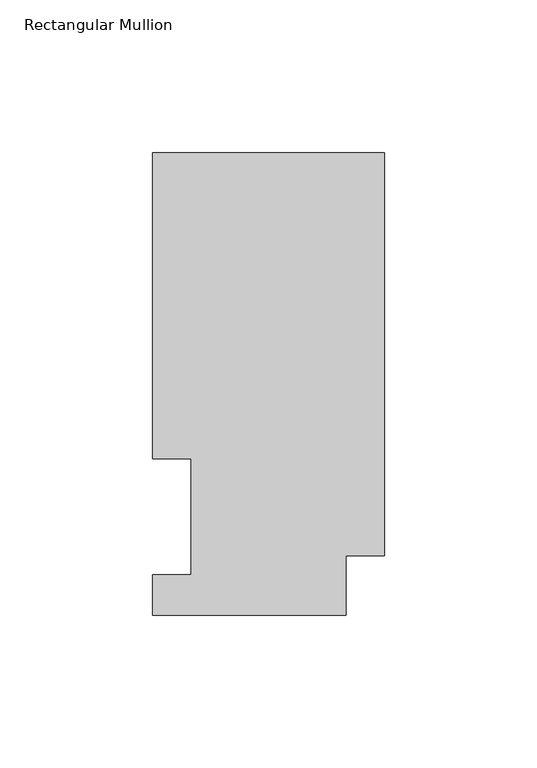
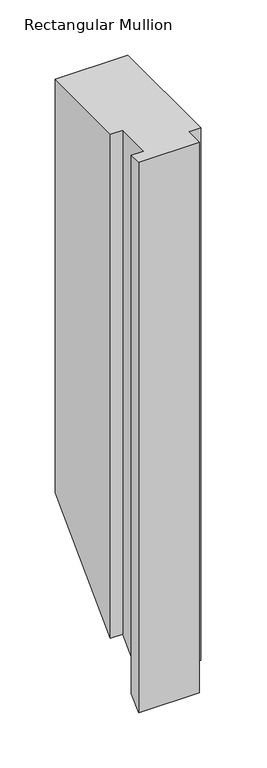
"""IFC4 building model written with IfcOpenShell, lengths in millimetres: member geometry, Rectangular Mullion."""

import ifcopenshell
import ifcopenshell.guid

model = None  # the IFC model being written
_history = None  # IfcOwnerHistory: only IFC2X3 demands one
_inside = {}  # id of a spatial element -> (the spatial element, [elements in it])
_under = {}  # id of a project, library or spatial element -> (it, [spatial elements below it])
_declared = {}  # id of a project -> (the project, [libraries it declares])
_typed = {}  # id of a type object -> (the type object, [elements of that type])
_made_of = {}  # id of a material, layer set ... -> (it, [elements and type objects made of it])


def new_model(schema):
    """Start an empty IFC model of exactly this schema.

    Asked for "IFC4X3", IfcOpenShell would pick the latest addendum, in which some entities
    have other attributes; the version numbers below select the first issue.
    IFC2X3 requires an IfcOwnerHistory on every rooted entity: one is made here for all.
    """
    global model, _history
    if schema == "IFC4X3":
        model = ifcopenshell.file(schema_version=(4, 3, 0, 0))
    else:
        model = ifcopenshell.file(schema=schema)
    _inside.clear()
    _under.clear()
    _declared.clear()
    _typed.clear()
    _made_of.clear()
    _history = None
    if model.schema == "IFC2X3":
        org = make("IfcOrganization", Name="unknown")
        user = make(
            "IfcPersonAndOrganization",
            ThePerson=make("IfcPerson", FamilyName="unknown"),
            TheOrganization=org,
        )
        app = make(
            "IfcApplication",
            ApplicationDeveloper=org,
            Version="unknown",
            ApplicationFullName="unknown",
            ApplicationIdentifier="unknown",
        )
        _history = make(
            "IfcOwnerHistory",
            OwningUser=user,
            OwningApplication=app,
            ChangeAction="ADDED",
            CreationDate=0,
        )
    return model


def make(cls, **values):
    """One entity of the class cls with the attributes given. An attribute that is None is left unset."""
    return model.create_entity(
        cls, **{name: value for name, value in values.items() if value is not None}
    )


def rooted(cls, **values):
    """An entity with a GlobalId (a new one), such as an element, a storey or a relation."""
    return make(cls, GlobalId=ifcopenshell.guid.new(), OwnerHistory=_history, **values)


def si_unit(unit_type, name, prefix=None):
    """IfcSIUnit, for example si_unit("LENGTHUNIT", "METRE", prefix="MILLI")."""
    return make("IfcSIUnit", UnitType=unit_type, Prefix=prefix, Name=name)


def assignment(units):
    """IfcUnitAssignment: the units of a project."""
    return None if units is None else make("IfcUnitAssignment", Units=units)


def point(xyz):
    """IfcCartesianPoint."""
    return None if xyz is None else make("IfcCartesianPoint", Coordinates=xyz)


def direction(xyz):
    """IfcDirection."""
    return None if xyz is None else make("IfcDirection", DirectionRatios=xyz)


def frame(location, z_axis=None, x_axis=None):
    """IfcAxis2Placement3D, a coordinate frame: its origin and axes. An axis left out is left unset."""
    return make(
        "IfcAxis2Placement3D",
        Location=point(location),
        Axis=direction(z_axis),
        RefDirection=direction(x_axis),
    )


def origin():
    """The frame at (0, 0, 0) with its axes left unset."""
    return frame((0.0, 0.0, 0.0))


def place(relative_to, where):
    """IfcLocalPlacement: puts the frame where relative to a parent placement (None: the world)."""
    return make(
        "IfcLocalPlacement", PlacementRelTo=relative_to, RelativePlacement=where
    )


def context(
    kind, dimensions, precision=None, world=None, true_north=None, identifier=None
):
    """IfcGeometricRepresentationContext, for example the 3D "Model" context."""
    return make(
        "IfcGeometricRepresentationContext",
        ContextIdentifier=identifier,
        ContextType=kind,
        CoordinateSpaceDimension=dimensions,
        Precision=precision,
        WorldCoordinateSystem=world,
        TrueNorth=true_north,
    )


def project(units=None, contexts=None):
    """IfcProject with its units and contexts."""
    return rooted(
        "IfcProject",
        Name="project",
        RepresentationContexts=contexts,
        UnitsInContext=assignment(units),
    )


def spatial(cls, under=None, at=None, **own):
    """A site, building, storey or space (cls), placed at a placement, below another one or the project."""
    s = rooted(cls, ObjectPlacement=at, **own)
    if under is not None:
        _under.setdefault(under.id(), (under, []))[1].append(s)
    return s


def faces_of(points, faces, orient=None, outer=None):
    """IfcFace entities. A face is a list of loops; a loop is a list of indices into points, from 0.

    orient and outer hold one flag for each loop. By default every Orientation is true, the
    first loop of a face is its IfcFaceOuterBound and the others are IfcFaceBound.
    """
    made = []
    for i, loops in enumerate(faces):
        bounds = []
        for j, loop in enumerate(loops):
            is_outer = j == 0 if outer is None else outer[i][j]
            bounds.append(
                make(
                    "IfcFaceOuterBound" if is_outer else "IfcFaceBound",
                    Bound=make("IfcPolyLoop", Polygon=[points[k] for k in loop]),
                    Orientation=True if orient is None else orient[i][j],
                )
            )
        made.append(make("IfcFace", Bounds=bounds))
    return made


def faceted_brep(points, faces, orient=None, outer=None, voids=None):
    """IfcFacetedBrep: a solid bounded by flat faces; with voids (closed shells), ...WithVoids."""
    shared = [point(p) for p in points]
    hull = make("IfcClosedShell", CfsFaces=faces_of(shared, faces, orient, outer))
    if voids is None:
        return make("IfcFacetedBrep", Outer=hull)
    return make(
        "IfcFacetedBrepWithVoids",
        Outer=hull,
        Voids=[
            make(cls, CfsFaces=faces_of(shared, fs, o, b)) for cls, fs, o, b in voids
        ],
    )


def shape(context_of_items, identifier, shape_type, items):
    """IfcShapeRepresentation: the items that make up one representation, for example the "Body"."""
    return make(
        "IfcShapeRepresentation",
        ContextOfItems=context_of_items,
        RepresentationIdentifier=identifier,
        RepresentationType=shape_type,
        Items=items,
    )


def source(mapping_origin, context_of_items, identifier, shape_type, items):
    """IfcRepresentationMap: a shape defined once, which mapped items show again and again."""
    return make(
        "IfcRepresentationMap",
        MappingOrigin=mapping_origin,
        MappedRepresentation=shape(context_of_items, identifier, shape_type, items),
    )


def transform(
    local_origin,
    x_axis=None,
    y_axis=None,
    z_axis=None,
    scale=None,
    scale2=None,
    scale3=None,
    uniform=True,
):
    """IfcCartesianTransformationOperator3D, or its non-uniform kind. x_axis, y_axis, z_axis: its Axis1, 2, 3."""
    if uniform:
        return make(
            "IfcCartesianTransformationOperator3D",
            Axis1=direction(x_axis),
            Axis2=direction(y_axis),
            LocalOrigin=point(local_origin),
            Scale=scale,
            Axis3=direction(z_axis),
        )
    return make(
        "IfcCartesianTransformationOperator3DnonUniform",
        Axis1=direction(x_axis),
        Axis2=direction(y_axis),
        LocalOrigin=point(local_origin),
        Scale=scale,
        Axis3=direction(z_axis),
        Scale2=scale2,
        Scale3=scale3,
    )


def mapped(mapping_source, mapping_target):
    """IfcMappedItem: shows the shape of a source again, moved by a transform."""
    return make(
        "IfcMappedItem", MappingSource=mapping_source, MappingTarget=mapping_target
    )


def made_of(thing, what):
    """Note that an element or type object is made of a material, layer set ...; save() writes the relation."""
    if what is not None:
        _made_of.setdefault(what.id(), (what, []))[1].append(thing)
    return thing


def element(
    cls,
    number,
    at=None,
    inside=None,
    cuts=None,
    type_object=None,
    material=None,
    context=None,
    identifier="Body",
    shape_type=None,
    held_by="IfcProductDefinitionShape",
    body=None,
    shapes=None,
    **own,
):
    """One element of the class cls, such as IfcWall. Its Tag is "e" and its number.

    at: its placement. inside: the storey or other place that contains it. cuts: it is an
    opening in that element (IfcRelVoidsElement). A single representation is given by context,
    identifier, shape_type and body (its items); several are given by shapes. held_by: the class
    of the entity that holds the representations. save() writes the other relations.
    """
    e = rooted(cls, Tag="e%d" % number, ObjectPlacement=at, **own)
    if body is not None:
        shapes = [shape(context, identifier, shape_type, body)]
    if shapes is not None:
        e.Representation = make(held_by, Representations=shapes)
    if inside is not None:
        _inside.setdefault(inside.id(), (inside, []))[1].append(e)
    if cuts is not None:
        rooted(
            "IfcRelVoidsElement", RelatingBuildingElement=cuts, RelatedOpeningElement=e
        )
    if type_object is not None:
        _typed.setdefault(type_object.id(), (type_object, []))[1].append(e)
    return made_of(e, material)


def aggregate(whole, parts):
    """IfcRelAggregates: a whole, such as a stair, and the parts it consists of."""
    return rooted("IfcRelAggregates", RelatingObject=whole, RelatedObjects=parts)


def save(model, path):
    """Write the relations noted so far, then the file.

    IfcRelAggregates (storeys below a building ...), IfcRelContainedInSpatialStructure (elements
    in a storey), IfcRelDefinesByType, IfcRelAssociatesMaterial and IfcRelDeclares: one each for
    every whole, place, type object, material and project.
    """
    for whole, parts in _under.values():
        aggregate(whole, parts)
    for where, things in _inside.values():
        rooted(
            "IfcRelContainedInSpatialStructure",
            RelatedElements=things,
            RelatingStructure=where,
        )
    for kind, things in _typed.values():
        rooted("IfcRelDefinesByType", RelatedObjects=things, RelatingType=kind)
    for what, things in _made_of.values():
        rooted("IfcRelAssociatesMaterial", RelatedObjects=things, RelatingMaterial=what)
    for by, libraries in _declared.values():
        rooted("IfcRelDeclares", RelatingContext=by, RelatedDefinitions=libraries)
    model.write(path)


def rectangular_mullion_d3f8a1b2(model_context):
    return source(origin(), model_context, "Body", "Brep", [
        faceted_brep([(-76.2, 51.2960938, 0.0), (-63.5, 51.2960938, 0.0), (-63.5, 13.1960937, 0.0), (-76.2, 13.1960937, 0.0), (-76.2, 0.0134937, 0.0), (-12.7, 0.0134937, 0.0), (-12.7, 19.5455957, 0.0), (0.0, 19.5455957, 0.0), (0.0, 151.7022937, 0.0), (-76.2, 151.7022937, 0.0), (-76.2, 51.2960938, -558.3039062), (-63.5, 51.2960938, -558.3039062), (-63.5, 13.1960937, -596.4039062), (-76.2, 13.1960937, -596.4039062), (-76.2, 0.0134937, -609.5865062), (-12.7, 0.0134937, -609.5865062), (-12.7, 19.5455957, -590.0544043), (0.0, 19.5455957, -590.0544043), (0.0, 151.7022937, -457.8977062), (-76.2, 151.7022937, -457.8977062)], [[[0, 1, 2, 3, 4, 5, 6, 7, 8, 9]], [[1, 0, 10, 11]], [[2, 1, 11, 12]], [[3, 2, 12, 13]], [[4, 3, 13, 14]], [[5, 4, 14, 15]], [[6, 5, 15, 16]], [[7, 6, 16, 17]], [[8, 7, 17, 18]], [[9, 8, 18, 19]], [[0, 9, 19, 10]], [[10, 19, 18, 17, 16, 15, 14, 13, 12, 11]]]),
    ])


if __name__ == "__main__":
    model = new_model("IFC4")
    model_context = context("Model", 3, world=origin())
    ifc_project = project(units=[si_unit("LENGTHUNIT", "METRE", prefix="MILLI")], contexts=[model_context])
    site = spatial("IfcSite", under=ifc_project)
    building = spatial("IfcBuilding", under=site)
    placement = place(None, origin())
    rectangular_mullion_shape = rectangular_mullion_d3f8a1b2(model_context)
    element("IfcMember", 1, ObjectType="Rectangular Mullion", at=placement, inside=building, context=model_context, shape_type="MappedRepresentation", body=[
        mapped(rectangular_mullion_shape, transform((0.0, 0.0, 0.0), x_axis=(1.0, 0.0, 0.0), y_axis=(0.0, 1.0, 0.0), z_axis=(0.0, 0.0, 1.0))),
    ])
    save(model, "model.ifc")
